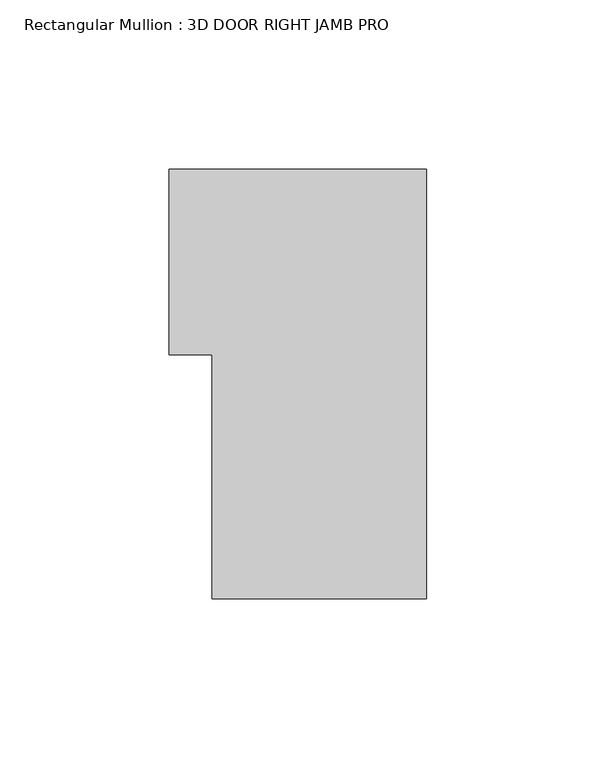
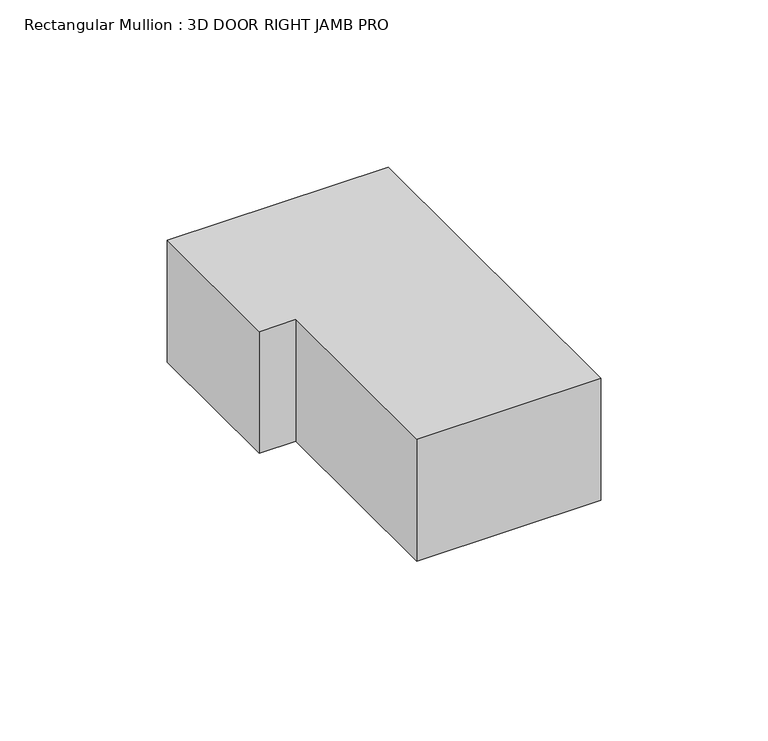
"""IFC4 building model written with IfcOpenShell, lengths in millimetres: member geometry, Rectangular Mullion : 3D DOOR RIGHT JAMB PRO."""

from ifc_helpers import new_model, si_unit, frame, origin, place, context, project, spatial, polyline, outline, extrude, source, transform, mapped, element, save


def rectangular_mullion_3d_door_right_jamb_pro_41c581b2(model_context):
    return source(origin(), model_context, "Body", "SweptSolid", [
        extrude(outline(polyline([(0.0, -63.5), (-63.5, -63.5), (-63.5, 8.712327), (-76.2, 8.712327), (-76.2, 63.5), (0.0, 63.5), (0.0, -63.5)])), frame((0.0, 0.0, -44.45), z_axis=(0.0, 0.0, 1.0), x_axis=(1.0, 0.0, 0.0)), (0.0, 0.0, 1.0), 44.45),
    ])


if __name__ == "__main__":
    model = new_model("IFC4")
    model_context = context("Model", 3, world=origin())
    ifc_project = project(units=[si_unit("LENGTHUNIT", "METRE", prefix="MILLI")], contexts=[model_context])
    site = spatial("IfcSite", under=ifc_project)
    building = spatial("IfcBuilding", under=site)
    placement = place(None, origin())
    rectangular_mullion_3d_door_right_jamb_pro_shape = rectangular_mullion_3d_door_right_jamb_pro_41c581b2(model_context)
    element("IfcMember", 1, ObjectType="Rectangular Mullion : 3D DOOR RIGHT JAMB PRO", at=placement, inside=building, context=model_context, shape_type="MappedRepresentation", body=[
        mapped(rectangular_mullion_3d_door_right_jamb_pro_shape, transform((0.0, 0.0, 0.0), x_axis=(1.0, 0.0, 0.0), y_axis=(0.0, 1.0, 0.0), z_axis=(0.0, 0.0, 1.0))),
    ])
    save(model, "model.ifc")
